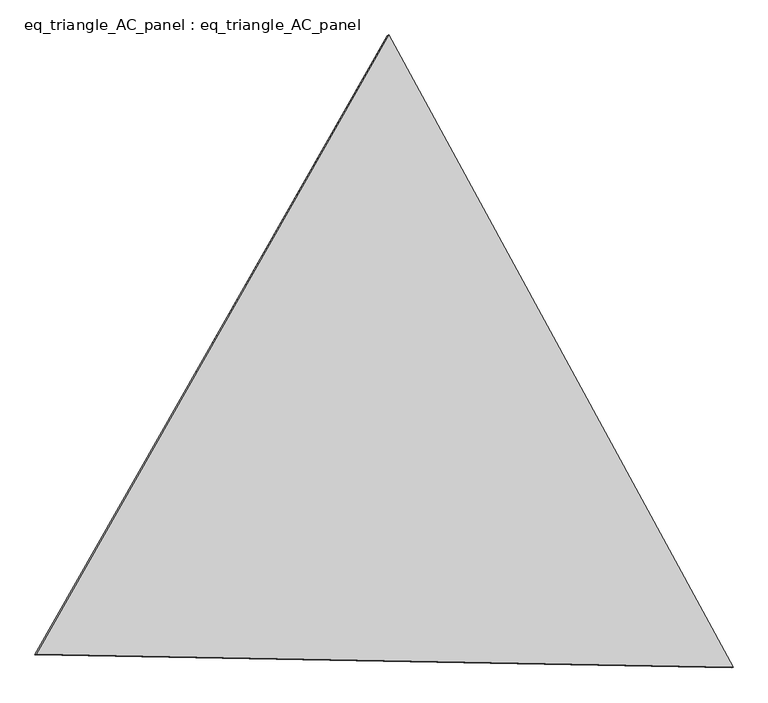
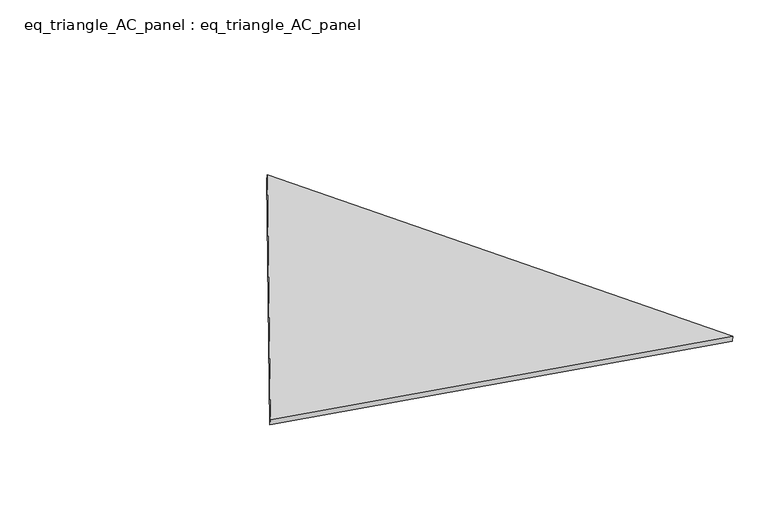
"""IFC4 building model written with IfcOpenShell, lengths in millimetres: proxy geometry, eq_triangle_AC_panel : eq_triangle_AC_panel."""

from ifc_helpers import new_model, si_unit, frame, origin, place, context, project, spatial, polyline, outline, extrude, source, transform, mapped, element, save


def eq_triangle_ac_panel_eq_triangle_ac_panel_245b5e0f(model_context):
    return source(origin(), model_context, "Body", "SweptSolid", [
        extrude(outline(polyline([(-2091.3211801, 1173.1116091), (2032.5744452, 1173.1116091), (58.7467348, -2346.2232182), (-2091.3211801, 1173.1116091)])), frame((0.0038051, 527.9290861, 89.8240019), z_axis=(0.14526328518058218, 0.08386570281802204, 0.9858321976225896), x_axis=(0.47847578604819385, -0.878090720954201, 0.004196181561184338)), (0.0, 0.0, 1.0), 43.8306294),
    ])


if __name__ == "__main__":
    model = new_model("IFC4")
    model_context = context("Model", 3, world=origin())
    ifc_project = project(units=[si_unit("LENGTHUNIT", "METRE", prefix="MILLI")], contexts=[model_context])
    site = spatial("IfcSite", under=ifc_project)
    building = spatial("IfcBuilding", under=site)
    placement = place(None, origin())
    eq_triangle_ac_panel_eq_triangle_ac_panel_shape = eq_triangle_ac_panel_eq_triangle_ac_panel_245b5e0f(model_context)
    element("IfcBuildingElementProxy", 1, Name="eq_triangle_AC_panel : eq_triangle_AC_panel", ObjectType="eq_triangle_AC_panel : eq_triangle_AC_panel", at=placement, inside=building, context=model_context, shape_type="MappedRepresentation", body=[
        mapped(eq_triangle_ac_panel_eq_triangle_ac_panel_shape, transform((0.0, 0.0, 0.0), x_axis=(1.0, 0.0, 0.0), y_axis=(0.0, 1.0, 0.0), z_axis=(0.0, 0.0, 1.0))),
    ])
    save(model, "model.ifc")
